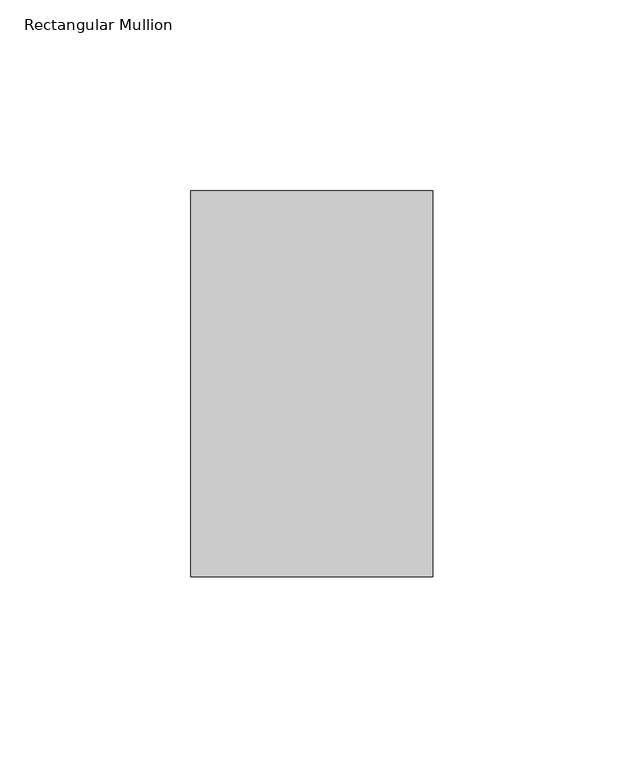
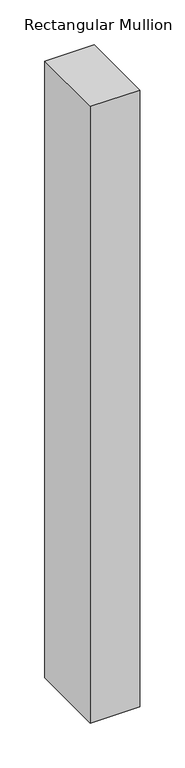
"""IFC4 building model written with IfcOpenShell, lengths in millimetres: member geometry, Rectangular Mullion."""

import ifcopenshell
import ifcopenshell.guid

model = None  # the IFC model being written
_history = None  # IfcOwnerHistory: only IFC2X3 demands one
_inside = {}  # id of a spatial element -> (the spatial element, [elements in it])
_under = {}  # id of a project, library or spatial element -> (it, [spatial elements below it])
_declared = {}  # id of a project -> (the project, [libraries it declares])
_typed = {}  # id of a type object -> (the type object, [elements of that type])
_made_of = {}  # id of a material, layer set ... -> (it, [elements and type objects made of it])


def new_model(schema):
    """Start an empty IFC model of exactly this schema.

    Asked for "IFC4X3", IfcOpenShell would pick the latest addendum, in which some entities
    have other attributes; the version numbers below select the first issue.
    IFC2X3 requires an IfcOwnerHistory on every rooted entity: one is made here for all.
    """
    global model, _history
    if schema == "IFC4X3":
        model = ifcopenshell.file(schema_version=(4, 3, 0, 0))
    else:
        model = ifcopenshell.file(schema=schema)
    _inside.clear()
    _under.clear()
    _declared.clear()
    _typed.clear()
    _made_of.clear()
    _history = None
    if model.schema == "IFC2X3":
        org = make("IfcOrganization", Name="unknown")
        user = make(
            "IfcPersonAndOrganization",
            ThePerson=make("IfcPerson", FamilyName="unknown"),
            TheOrganization=org,
        )
        app = make(
            "IfcApplication",
            ApplicationDeveloper=org,
            Version="unknown",
            ApplicationFullName="unknown",
            ApplicationIdentifier="unknown",
        )
        _history = make(
            "IfcOwnerHistory",
            OwningUser=user,
            OwningApplication=app,
            ChangeAction="ADDED",
            CreationDate=0,
        )
    return model


def make(cls, **values):
    """One entity of the class cls with the attributes given. An attribute that is None is left unset."""
    return model.create_entity(
        cls, **{name: value for name, value in values.items() if value is not None}
    )


def rooted(cls, **values):
    """An entity with a GlobalId (a new one), such as an element, a storey or a relation."""
    return make(cls, GlobalId=ifcopenshell.guid.new(), OwnerHistory=_history, **values)


def si_unit(unit_type, name, prefix=None):
    """IfcSIUnit, for example si_unit("LENGTHUNIT", "METRE", prefix="MILLI")."""
    return make("IfcSIUnit", UnitType=unit_type, Prefix=prefix, Name=name)


def assignment(units):
    """IfcUnitAssignment: the units of a project."""
    return None if units is None else make("IfcUnitAssignment", Units=units)


def point(xyz):
    """IfcCartesianPoint."""
    return None if xyz is None else make("IfcCartesianPoint", Coordinates=xyz)


def direction(xyz):
    """IfcDirection."""
    return None if xyz is None else make("IfcDirection", DirectionRatios=xyz)


def frame(location, z_axis=None, x_axis=None):
    """IfcAxis2Placement3D, a coordinate frame: its origin and axes. An axis left out is left unset."""
    return make(
        "IfcAxis2Placement3D",
        Location=point(location),
        Axis=direction(z_axis),
        RefDirection=direction(x_axis),
    )


def origin():
    """The frame at (0, 0, 0) with its axes left unset."""
    return frame((0.0, 0.0, 0.0))


def place(relative_to, where):
    """IfcLocalPlacement: puts the frame where relative to a parent placement (None: the world)."""
    return make(
        "IfcLocalPlacement", PlacementRelTo=relative_to, RelativePlacement=where
    )


def context(
    kind, dimensions, precision=None, world=None, true_north=None, identifier=None
):
    """IfcGeometricRepresentationContext, for example the 3D "Model" context."""
    return make(
        "IfcGeometricRepresentationContext",
        ContextIdentifier=identifier,
        ContextType=kind,
        CoordinateSpaceDimension=dimensions,
        Precision=precision,
        WorldCoordinateSystem=world,
        TrueNorth=true_north,
    )


def project(units=None, contexts=None):
    """IfcProject with its units and contexts."""
    return rooted(
        "IfcProject",
        Name="project",
        RepresentationContexts=contexts,
        UnitsInContext=assignment(units),
    )


def spatial(cls, under=None, at=None, **own):
    """A site, building, storey or space (cls), placed at a placement, below another one or the project."""
    s = rooted(cls, ObjectPlacement=at, **own)
    if under is not None:
        _under.setdefault(under.id(), (under, []))[1].append(s)
    return s


def polyline(points):
    """IfcPolyline through the points."""
    return make("IfcPolyline", Points=[point(p) for p in points])


def outline(outer, holes=None, kind="AREA"):
    """IfcArbitraryClosedProfileDef: a profile drawn as a closed curve; with holes, ...WithVoids."""
    if holes is None:
        return make("IfcArbitraryClosedProfileDef", ProfileType=kind, OuterCurve=outer)
    return make(
        "IfcArbitraryProfileDefWithVoids",
        ProfileType=kind,
        OuterCurve=outer,
        InnerCurves=holes,
    )


def extrude(swept, where, along, depth):
    """IfcExtrudedAreaSolid: the profile swept, set in the frame where, extruded along a direction by depth."""
    return make(
        "IfcExtrudedAreaSolid",
        SweptArea=swept,
        Position=where,
        ExtrudedDirection=direction(along),
        Depth=depth,
    )


def shape(context_of_items, identifier, shape_type, items):
    """IfcShapeRepresentation: the items that make up one representation, for example the "Body"."""
    return make(
        "IfcShapeRepresentation",
        ContextOfItems=context_of_items,
        RepresentationIdentifier=identifier,
        RepresentationType=shape_type,
        Items=items,
    )


def source(mapping_origin, context_of_items, identifier, shape_type, items):
    """IfcRepresentationMap: a shape defined once, which mapped items show again and again."""
    return make(
        "IfcRepresentationMap",
        MappingOrigin=mapping_origin,
        MappedRepresentation=shape(context_of_items, identifier, shape_type, items),
    )


def transform(
    local_origin,
    x_axis=None,
    y_axis=None,
    z_axis=None,
    scale=None,
    scale2=None,
    scale3=None,
    uniform=True,
):
    """IfcCartesianTransformationOperator3D, or its non-uniform kind. x_axis, y_axis, z_axis: its Axis1, 2, 3."""
    if uniform:
        return make(
            "IfcCartesianTransformationOperator3D",
            Axis1=direction(x_axis),
            Axis2=direction(y_axis),
            LocalOrigin=point(local_origin),
            Scale=scale,
            Axis3=direction(z_axis),
        )
    return make(
        "IfcCartesianTransformationOperator3DnonUniform",
        Axis1=direction(x_axis),
        Axis2=direction(y_axis),
        LocalOrigin=point(local_origin),
        Scale=scale,
        Axis3=direction(z_axis),
        Scale2=scale2,
        Scale3=scale3,
    )


def mapped(mapping_source, mapping_target):
    """IfcMappedItem: shows the shape of a source again, moved by a transform."""
    return make(
        "IfcMappedItem", MappingSource=mapping_source, MappingTarget=mapping_target
    )


def made_of(thing, what):
    """Note that an element or type object is made of a material, layer set ...; save() writes the relation."""
    if what is not None:
        _made_of.setdefault(what.id(), (what, []))[1].append(thing)
    return thing


def element(
    cls,
    number,
    at=None,
    inside=None,
    cuts=None,
    type_object=None,
    material=None,
    context=None,
    identifier="Body",
    shape_type=None,
    held_by="IfcProductDefinitionShape",
    body=None,
    shapes=None,
    **own,
):
    """One element of the class cls, such as IfcWall. Its Tag is "e" and its number.

    at: its placement. inside: the storey or other place that contains it. cuts: it is an
    opening in that element (IfcRelVoidsElement). A single representation is given by context,
    identifier, shape_type and body (its items); several are given by shapes. held_by: the class
    of the entity that holds the representations. save() writes the other relations.
    """
    e = rooted(cls, Tag="e%d" % number, ObjectPlacement=at, **own)
    if body is not None:
        shapes = [shape(context, identifier, shape_type, body)]
    if shapes is not None:
        e.Representation = make(held_by, Representations=shapes)
    if inside is not None:
        _inside.setdefault(inside.id(), (inside, []))[1].append(e)
    if cuts is not None:
        rooted(
            "IfcRelVoidsElement", RelatingBuildingElement=cuts, RelatedOpeningElement=e
        )
    if type_object is not None:
        _typed.setdefault(type_object.id(), (type_object, []))[1].append(e)
    return made_of(e, material)


def aggregate(whole, parts):
    """IfcRelAggregates: a whole, such as a stair, and the parts it consists of."""
    return rooted("IfcRelAggregates", RelatingObject=whole, RelatedObjects=parts)


def save(model, path):
    """Write the relations noted so far, then the file.

    IfcRelAggregates (storeys below a building ...), IfcRelContainedInSpatialStructure (elements
    in a storey), IfcRelDefinesByType, IfcRelAssociatesMaterial and IfcRelDeclares: one each for
    every whole, place, type object, material and project.
    """
    for whole, parts in _under.values():
        aggregate(whole, parts)
    for where, things in _inside.values():
        rooted(
            "IfcRelContainedInSpatialStructure",
            RelatedElements=things,
            RelatingStructure=where,
        )
    for kind, things in _typed.values():
        rooted("IfcRelDefinesByType", RelatedObjects=things, RelatingType=kind)
    for what, things in _made_of.values():
        rooted("IfcRelAssociatesMaterial", RelatedObjects=things, RelatingMaterial=what)
    for by, libraries in _declared.values():
        rooted("IfcRelDeclares", RelatingContext=by, RelatedDefinitions=libraries)
    model.write(path)


def rectangular_mullion_cc622c0f(model_context):
    return source(origin(), model_context, "Body", "SweptSolid", [
        extrude(outline(polyline([(31.7499998, 152.4896938), (31.7499998, 51.2960938), (-31.7499998, 51.2960938), (-31.7499998, 152.4896938), (31.7499998, 152.4896938)])), frame((0.0, 0.0, -838.1999996), z_axis=(0.0, 0.0, 1.0), x_axis=(1.0, 0.0, 0.0)), (0.0, 0.0, 1.0), 838.1999996),
    ])


if __name__ == "__main__":
    model = new_model("IFC4")
    model_context = context("Model", 3, world=origin())
    ifc_project = project(units=[si_unit("LENGTHUNIT", "METRE", prefix="MILLI")], contexts=[model_context])
    site = spatial("IfcSite", under=ifc_project)
    building = spatial("IfcBuilding", under=site)
    placement = place(None, origin())
    rectangular_mullion_shape = rectangular_mullion_cc622c0f(model_context)
    element("IfcMember", 1, ObjectType="Rectangular Mullion", at=placement, inside=building, context=model_context, shape_type="MappedRepresentation", body=[
        mapped(rectangular_mullion_shape, transform((0.0, 0.0, 0.0), x_axis=(1.0, 0.0, 0.0), y_axis=(0.0, 1.0, 0.0), z_axis=(0.0, 0.0, 1.0))),
    ])
    save(model, "model.ifc")
